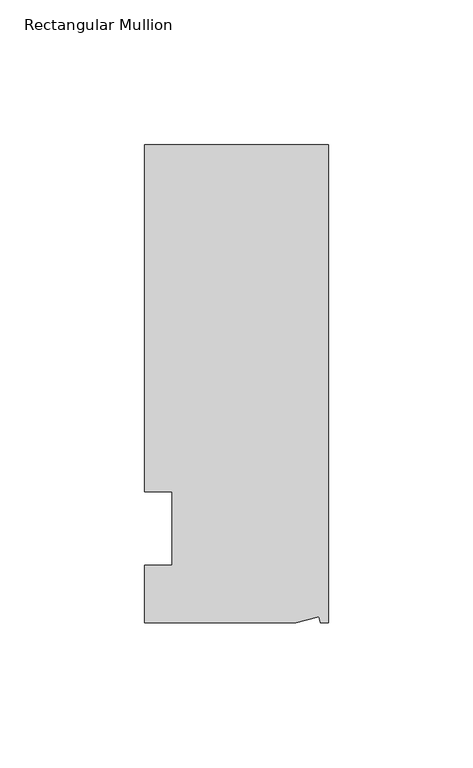
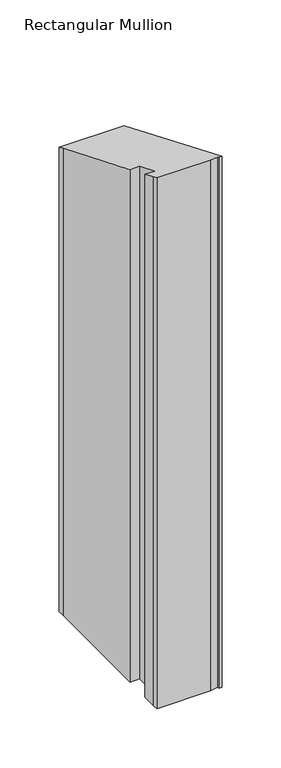
"""IFC4 building model written with IfcOpenShell, lengths in millimetres: member geometry, Rectangular Mullion."""

from ifc_helpers import new_model, si_unit, origin, place, context, project, spatial, faceted_brep, source, transform, mapped, element, save


def rectangular_mullion_729b1000(model_context):
    return source(origin(), model_context, "Body", "Brep", [
        faceted_brep([(0.0, 132.5561012, -533.4), (0.0, -32.5438988, -533.4), (-2.7616541, -32.5438988, -533.4), (-3.3341886, -30.4622958, -533.4), (-11.121847, -32.5438988, -533.4), (-63.5, -32.5438988, -533.4), (-63.5, -26.1938988, -533.4), (-63.5, -12.5945801, -533.4), (-53.975, -12.5945801, -533.4), (-53.975, 12.8054199, -533.4), (-63.5, 12.8054199, -533.4), (-63.5, 126.2061012, -533.4), (-63.5, 132.5561012, -533.4), (-63.5, 132.5561012, -54.9065349), (0.0, 132.5561012, -54.9065349), (-63.5, 126.2061012, -52.2762788), (-63.5, 12.8054199, -5.3041786), (-53.975, 12.8054199, -5.3041786), (-53.975, -12.5945801, 5.2168459), (-63.5, -12.5945801, 5.2168459), (-63.5, -26.1938988, 10.8498681), (-63.5, -32.5438988, 13.4801243), (-11.121847, -32.5438988, 13.4801243), (-3.3341886, -30.4622958, 12.617896), (-2.7616541, -32.5438988, 13.4801243), (0.0, -32.5438988, 13.4801243)], [[[0, 1, 2, 3, 4, 5, 6, 7, 8, 9, 10, 11, 12]], [[13, 14, 0, 12]], [[15, 13, 12, 11]], [[16, 15, 11, 10]], [[17, 16, 10, 9]], [[18, 17, 9, 8]], [[19, 18, 8, 7]], [[20, 19, 7, 6]], [[21, 20, 6, 5]], [[22, 21, 5, 4]], [[23, 22, 4, 3]], [[24, 23, 3, 2]], [[25, 24, 2, 1]], [[14, 25, 1, 0]], [[14, 13, 15, 16, 17, 18, 19, 20, 21, 22, 23, 24, 25]]]),
    ])


if __name__ == "__main__":
    model = new_model("IFC4")
    model_context = context("Model", 3, world=origin())
    ifc_project = project(units=[si_unit("LENGTHUNIT", "METRE", prefix="MILLI")], contexts=[model_context])
    site = spatial("IfcSite", under=ifc_project)
    building = spatial("IfcBuilding", under=site)
    placement = place(None, origin())
    rectangular_mullion_shape = rectangular_mullion_729b1000(model_context)
    element("IfcMember", 1, ObjectType="Rectangular Mullion", at=placement, inside=building, context=model_context, shape_type="MappedRepresentation", body=[
        mapped(rectangular_mullion_shape, transform((0.0, 0.0, 0.0), x_axis=(1.0, 0.0, 0.0), y_axis=(0.0, 1.0, 0.0), z_axis=(0.0, 0.0, 1.0))),
    ])
    save(model, "model.ifc")
